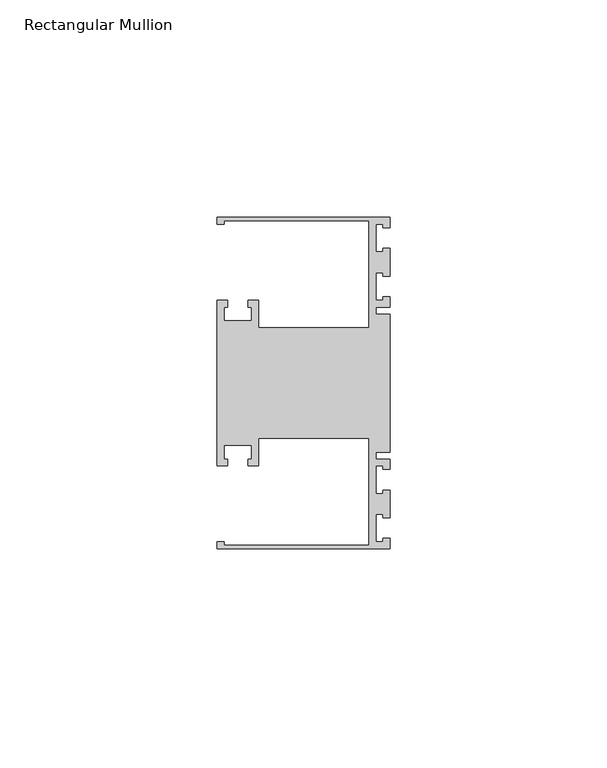
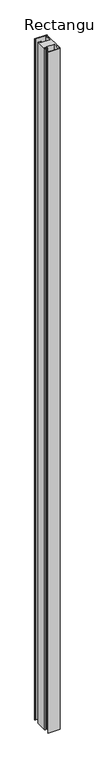
"""IFC4 building model written with IfcOpenShell, lengths in millimetres: member geometry, Rectangular Mullion."""

import ifcopenshell
import ifcopenshell.guid

model = None  # the IFC model being written
_history = None  # IfcOwnerHistory: only IFC2X3 demands one
_inside = {}  # id of a spatial element -> (the spatial element, [elements in it])
_under = {}  # id of a project, library or spatial element -> (it, [spatial elements below it])
_declared = {}  # id of a project -> (the project, [libraries it declares])
_typed = {}  # id of a type object -> (the type object, [elements of that type])
_made_of = {}  # id of a material, layer set ... -> (it, [elements and type objects made of it])


def new_model(schema):
    """Start an empty IFC model of exactly this schema.

    Asked for "IFC4X3", IfcOpenShell would pick the latest addendum, in which some entities
    have other attributes; the version numbers below select the first issue.
    IFC2X3 requires an IfcOwnerHistory on every rooted entity: one is made here for all.
    """
    global model, _history
    if schema == "IFC4X3":
        model = ifcopenshell.file(schema_version=(4, 3, 0, 0))
    else:
        model = ifcopenshell.file(schema=schema)
    _inside.clear()
    _under.clear()
    _declared.clear()
    _typed.clear()
    _made_of.clear()
    _history = None
    if model.schema == "IFC2X3":
        org = make("IfcOrganization", Name="unknown")
        user = make(
            "IfcPersonAndOrganization",
            ThePerson=make("IfcPerson", FamilyName="unknown"),
            TheOrganization=org,
        )
        app = make(
            "IfcApplication",
            ApplicationDeveloper=org,
            Version="unknown",
            ApplicationFullName="unknown",
            ApplicationIdentifier="unknown",
        )
        _history = make(
            "IfcOwnerHistory",
            OwningUser=user,
            OwningApplication=app,
            ChangeAction="ADDED",
            CreationDate=0,
        )
    return model


def make(cls, **values):
    """One entity of the class cls with the attributes given. An attribute that is None is left unset."""
    return model.create_entity(
        cls, **{name: value for name, value in values.items() if value is not None}
    )


def rooted(cls, **values):
    """An entity with a GlobalId (a new one), such as an element, a storey or a relation."""
    return make(cls, GlobalId=ifcopenshell.guid.new(), OwnerHistory=_history, **values)


def si_unit(unit_type, name, prefix=None):
    """IfcSIUnit, for example si_unit("LENGTHUNIT", "METRE", prefix="MILLI")."""
    return make("IfcSIUnit", UnitType=unit_type, Prefix=prefix, Name=name)


def assignment(units):
    """IfcUnitAssignment: the units of a project."""
    return None if units is None else make("IfcUnitAssignment", Units=units)


def point(xyz):
    """IfcCartesianPoint."""
    return None if xyz is None else make("IfcCartesianPoint", Coordinates=xyz)


def direction(xyz):
    """IfcDirection."""
    return None if xyz is None else make("IfcDirection", DirectionRatios=xyz)


def frame(location, z_axis=None, x_axis=None):
    """IfcAxis2Placement3D, a coordinate frame: its origin and axes. An axis left out is left unset."""
    return make(
        "IfcAxis2Placement3D",
        Location=point(location),
        Axis=direction(z_axis),
        RefDirection=direction(x_axis),
    )


def origin():
    """The frame at (0, 0, 0) with its axes left unset."""
    return frame((0.0, 0.0, 0.0))


def place(relative_to, where):
    """IfcLocalPlacement: puts the frame where relative to a parent placement (None: the world)."""
    return make(
        "IfcLocalPlacement", PlacementRelTo=relative_to, RelativePlacement=where
    )


def context(
    kind, dimensions, precision=None, world=None, true_north=None, identifier=None
):
    """IfcGeometricRepresentationContext, for example the 3D "Model" context."""
    return make(
        "IfcGeometricRepresentationContext",
        ContextIdentifier=identifier,
        ContextType=kind,
        CoordinateSpaceDimension=dimensions,
        Precision=precision,
        WorldCoordinateSystem=world,
        TrueNorth=true_north,
    )


def project(units=None, contexts=None):
    """IfcProject with its units and contexts."""
    return rooted(
        "IfcProject",
        Name="project",
        RepresentationContexts=contexts,
        UnitsInContext=assignment(units),
    )


def spatial(cls, under=None, at=None, **own):
    """A site, building, storey or space (cls), placed at a placement, below another one or the project."""
    s = rooted(cls, ObjectPlacement=at, **own)
    if under is not None:
        _under.setdefault(under.id(), (under, []))[1].append(s)
    return s


def polyline(points):
    """IfcPolyline through the points."""
    return make("IfcPolyline", Points=[point(p) for p in points])


def outline(outer, holes=None, kind="AREA"):
    """IfcArbitraryClosedProfileDef: a profile drawn as a closed curve; with holes, ...WithVoids."""
    if holes is None:
        return make("IfcArbitraryClosedProfileDef", ProfileType=kind, OuterCurve=outer)
    return make(
        "IfcArbitraryProfileDefWithVoids",
        ProfileType=kind,
        OuterCurve=outer,
        InnerCurves=holes,
    )


def extrude(swept, where, along, depth):
    """IfcExtrudedAreaSolid: the profile swept, set in the frame where, extruded along a direction by depth."""
    return make(
        "IfcExtrudedAreaSolid",
        SweptArea=swept,
        Position=where,
        ExtrudedDirection=direction(along),
        Depth=depth,
    )


def shape(context_of_items, identifier, shape_type, items):
    """IfcShapeRepresentation: the items that make up one representation, for example the "Body"."""
    return make(
        "IfcShapeRepresentation",
        ContextOfItems=context_of_items,
        RepresentationIdentifier=identifier,
        RepresentationType=shape_type,
        Items=items,
    )


def source(mapping_origin, context_of_items, identifier, shape_type, items):
    """IfcRepresentationMap: a shape defined once, which mapped items show again and again."""
    return make(
        "IfcRepresentationMap",
        MappingOrigin=mapping_origin,
        MappedRepresentation=shape(context_of_items, identifier, shape_type, items),
    )


def transform(
    local_origin,
    x_axis=None,
    y_axis=None,
    z_axis=None,
    scale=None,
    scale2=None,
    scale3=None,
    uniform=True,
):
    """IfcCartesianTransformationOperator3D, or its non-uniform kind. x_axis, y_axis, z_axis: its Axis1, 2, 3."""
    if uniform:
        return make(
            "IfcCartesianTransformationOperator3D",
            Axis1=direction(x_axis),
            Axis2=direction(y_axis),
            LocalOrigin=point(local_origin),
            Scale=scale,
            Axis3=direction(z_axis),
        )
    return make(
        "IfcCartesianTransformationOperator3DnonUniform",
        Axis1=direction(x_axis),
        Axis2=direction(y_axis),
        LocalOrigin=point(local_origin),
        Scale=scale,
        Axis3=direction(z_axis),
        Scale2=scale2,
        Scale3=scale3,
    )


def mapped(mapping_source, mapping_target):
    """IfcMappedItem: shows the shape of a source again, moved by a transform."""
    return make(
        "IfcMappedItem", MappingSource=mapping_source, MappingTarget=mapping_target
    )


def made_of(thing, what):
    """Note that an element or type object is made of a material, layer set ...; save() writes the relation."""
    if what is not None:
        _made_of.setdefault(what.id(), (what, []))[1].append(thing)
    return thing


def element(
    cls,
    number,
    at=None,
    inside=None,
    cuts=None,
    type_object=None,
    material=None,
    context=None,
    identifier="Body",
    shape_type=None,
    held_by="IfcProductDefinitionShape",
    body=None,
    shapes=None,
    **own,
):
    """One element of the class cls, such as IfcWall. Its Tag is "e" and its number.

    at: its placement. inside: the storey or other place that contains it. cuts: it is an
    opening in that element (IfcRelVoidsElement). A single representation is given by context,
    identifier, shape_type and body (its items); several are given by shapes. held_by: the class
    of the entity that holds the representations. save() writes the other relations.
    """
    e = rooted(cls, Tag="e%d" % number, ObjectPlacement=at, **own)
    if body is not None:
        shapes = [shape(context, identifier, shape_type, body)]
    if shapes is not None:
        e.Representation = make(held_by, Representations=shapes)
    if inside is not None:
        _inside.setdefault(inside.id(), (inside, []))[1].append(e)
    if cuts is not None:
        rooted(
            "IfcRelVoidsElement", RelatingBuildingElement=cuts, RelatedOpeningElement=e
        )
    if type_object is not None:
        _typed.setdefault(type_object.id(), (type_object, []))[1].append(e)
    return made_of(e, material)


def aggregate(whole, parts):
    """IfcRelAggregates: a whole, such as a stair, and the parts it consists of."""
    return rooted("IfcRelAggregates", RelatingObject=whole, RelatedObjects=parts)


def save(model, path):
    """Write the relations noted so far, then the file.

    IfcRelAggregates (storeys below a building ...), IfcRelContainedInSpatialStructure (elements
    in a storey), IfcRelDefinesByType, IfcRelAssociatesMaterial and IfcRelDeclares: one each for
    every whole, place, type object, material and project.
    """
    for whole, parts in _under.values():
        aggregate(whole, parts)
    for where, things in _inside.values():
        rooted(
            "IfcRelContainedInSpatialStructure",
            RelatedElements=things,
            RelatingStructure=where,
        )
    for kind, things in _typed.values():
        rooted("IfcRelDefinesByType", RelatedObjects=things, RelatingType=kind)
    for what, things in _made_of.values():
        rooted("IfcRelAssociatesMaterial", RelatedObjects=things, RelatingMaterial=what)
    for by, libraries in _declared.values():
        rooted("IfcRelDeclares", RelatingContext=by, RelatedDefinitions=libraries)
    model.write(path)


def rectangular_mullion_a55270cf(model_context):
    return source(origin(), model_context, "Body", "SweptSolid", [
        extrude(outline(polyline([(0.0, 38.1), (0.0, 35.71875), (-1.4999946, 35.71875), (-1.4999946, 36.5125), (-3.175, 36.5125), (-3.175, 30.1625), (-1.4999946, 30.1625), (-1.4999946, 30.95625), (0.0, 30.95625), (0.0, 24.60625), (-1.4999946, 24.60625), (-1.4999946, 25.4), (-3.175, 25.4), (-3.175, 19.05), (-1.4999946, 19.05), (-1.4999946, 19.84375), (0.0, 19.84375), (0.0, 17.4625), (-3.175, 17.4625), (-3.175, 15.875), (0.0, 15.875), (0.0, -15.875), (-3.175, -15.875), (-3.175, -17.4625), (0.0, -17.4625), (0.0, -19.84375), (-1.4999946, -19.84375), (-1.4999946, -19.05), (-3.175, -19.05), (-3.175, -25.4), (-1.4999946, -25.4), (-1.4999946, -24.60625), (0.0, -24.60625), (0.0, -30.95625), (-1.4999946, -30.95625), (-1.4999946, -30.1625), (-3.175, -30.1625), (-3.175, -36.5125), (-1.4999946, -36.5125), (-1.4999946, -35.71875), (0.0, -35.71875), (0.0, -38.1), (-39.6875, -38.1), (-39.6875, -36.5125), (-38.1, -36.5125), (-38.1, -37.30625), (-4.7625, -37.30625), (-4.7625, -12.7), (-30.1625, -12.7), (-30.1625, -19.05), (-32.54375, -19.05), (-32.54375, -17.4625), (-31.75, -17.4625), (-31.75, -14.2875), (-38.1, -14.2875), (-38.1, -17.4625), (-37.30625, -17.4625), (-37.30625, -19.05), (-39.6875, -19.05), (-39.6875, 19.05), (-37.30625, 19.05), (-37.30625, 17.4625), (-38.1, 17.4625), (-38.1, 14.2875), (-31.75, 14.2875), (-31.75, 17.4625), (-32.54375, 17.4625), (-32.54375, 19.05), (-30.1625, 19.05), (-30.1625, 12.7), (-4.7625, 12.7), (-4.7625, 37.30625), (-38.1, 37.30625), (-38.1, 36.5125), (-39.6875, 36.5125), (-39.6875, 38.1), (0.0, 38.1)])), frame((0.0, 0.0, -2359.025), z_axis=(0.0, 0.0, 1.0), x_axis=(1.0, 0.0, 0.0)), (0.0, 0.0, 1.0), 2359.025),
    ])


if __name__ == "__main__":
    model = new_model("IFC4")
    model_context = context("Model", 3, world=origin())
    ifc_project = project(units=[si_unit("LENGTHUNIT", "METRE", prefix="MILLI")], contexts=[model_context])
    site = spatial("IfcSite", under=ifc_project)
    building = spatial("IfcBuilding", under=site)
    placement = place(None, origin())
    rectangular_mullion_shape = rectangular_mullion_a55270cf(model_context)
    element("IfcMember", 1, ObjectType="Rectangular Mullion", at=placement, inside=building, context=model_context, shape_type="MappedRepresentation", body=[
        mapped(rectangular_mullion_shape, transform((0.0, 0.0, 0.0), x_axis=(1.0, 0.0, 0.0), y_axis=(0.0, 1.0, 0.0), z_axis=(0.0, 0.0, 1.0))),
    ])
    save(model, "model.ifc")
